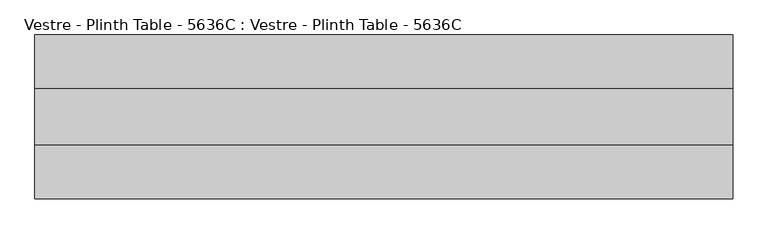
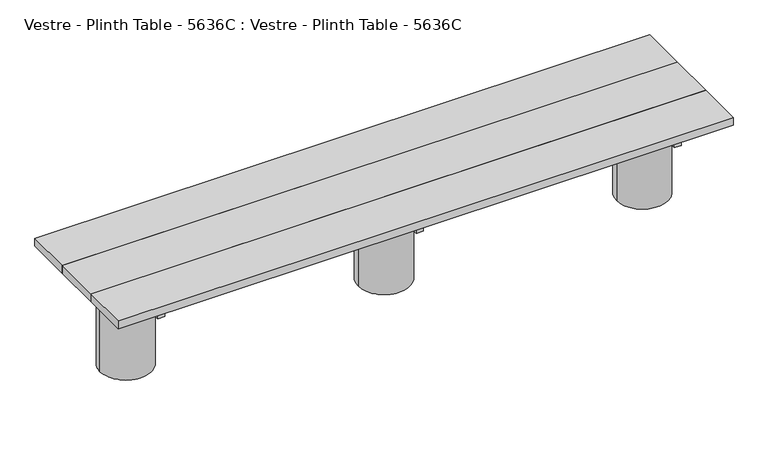
"""IFC4 building model written with IfcOpenShell, lengths in millimetres: furniture geometry, Vestre - Plinth Table - 5636C : Vestre - Plinth Table - 5636C."""

from ifc_helpers import new_model, si_unit, frame, origin, place, context, project, spatial, polyline, circle_curve, outline, extrude, source, transform, mapped, element, save
from ifc_brep_helpers import plane_surface, cylinder_surface, advanced_brep


def vestre_plinth_table_5636c_vestre_plinth_table_5636c_9f1a2659(model_context):
    return source(origin(), model_context, "Body", "SolidModel", [
        extrude(outline(polyline([(1116.0, -483.0002308), (1085.9816865, -483.0002308), (1085.9816865, 43.000233), (1116.0, 43.000233), (1116.0, -483.0002308)])), frame((0.0, 0.0, 364.9999847), z_axis=(0.0, 0.0, 1.0), x_axis=(1.0, 0.0, 0.0)), (0.0, 0.0, 1.0), 50.0),
        extrude(outline(polyline([(-1085.9816865, -483.0002308), (-1116.0, -483.0002308), (-1116.0, 43.000233), (-1085.9816865, 43.000233), (-1085.9816865, -483.0002308)])), frame((0.0, 0.0, 364.9999847), z_axis=(0.0, 0.0, 1.0), x_axis=(1.0, 0.0, 0.0)), (0.0, 0.0, 1.0), 50.0),
        extrude(outline(polyline([(15.0005464, -483.0002308), (-15.0177671, -483.0002308), (-15.0177671, 43.000233), (15.0005464, 43.000233), (15.0005464, -483.0002308)])), frame((0.0, 0.0, 364.9999847), z_axis=(0.0, 0.0, 1.0), x_axis=(1.0, 0.0, 0.0)), (0.0, 0.0, 1.0), 50.0),
        extrude(outline(polyline([(1310.5001055, -114.9999989), (1310.5001055, -324.9999989), (-1310.5001055, -324.9999989), (-1310.5001055, -114.9999989), (1310.5001055, -114.9999989)])), frame((0.0, 0.0, 414.9999847), z_axis=(0.0, 0.0, 1.0), x_axis=(1.0, 0.0, 0.0)), (0.0, 0.0, 1.0), 35.0000153),
        extrude(outline(polyline([(1089.0001055, -202.4998463), (1089.0001055, -237.5001515), (-1089.0001055, -237.5001515), (-1089.0001055, -202.4998463), (1089.0001055, -202.4998463)])), frame((0.0, 0.0, 274.9999847), z_axis=(0.0, 0.0, 1.0), x_axis=(1.0, 0.0, 0.0)), (0.0, 0.0, 1.0), 90.0),
        extrude(outline(polyline([(1310.5001055, 87.500233), (1310.5001055, -114.9999989), (-1310.5001055, -114.9999989), (-1310.5001055, 87.500233), (1310.5001055, 87.500233)])), frame((0.0, 0.0, 414.9999847), z_axis=(0.0, 0.0, 1.0), x_axis=(1.0, 0.0, 0.0)), (0.0, 0.0, 1.0), 35.0000153),
        extrude(outline(polyline([(1310.5001055, -324.9999989), (1310.5001055, -527.5002308), (-1310.5001055, -527.5002308), (-1310.5001055, -324.9999989), (1310.5001055, -324.9999989)])), frame((0.0, 0.0, 414.9999847), z_axis=(0.0, 0.0, 1.0), x_axis=(1.0, 0.0, 0.0)), (0.0, 0.0, 1.0), 35.0000153),
        advanced_brep(
        [(108.1777507, -202.4998463, 364.9999847), (-108.1777507, -202.4998463, 364.9999847), (-108.1777507, -237.5001515, 364.9999847), (108.1777507, -237.5001515, 364.9999847), (109.5841279, -219.9999989, 0.0), (-109.5841279, -219.9999989, 0.0), (109.5841279, -219.9999989, 274.9999847), (108.1777507, -237.5001515, 274.9999847), (-108.1777507, -237.5001515, 274.9999847), (-109.5841279, -219.9999989, 274.9999847), (-108.1777507, -202.4998463, 274.9999847), (108.1777507, -202.4998463, 274.9999847)],
        [
            (0, 1, circle_curve(frame((0.0, -219.9999989, 364.9999847), z_axis=(0.0, 0.0, 1.0), x_axis=(-1.0, 0.0, 0.0)), 109.5841279)),
            (1, 0),
            (2, 3, circle_curve(frame((0.0, -219.9999989, 364.9999847), z_axis=(0.0, 0.0, 1.0), x_axis=(-1.0, 0.0, 0.0)), 109.5841279)),
            (3, 2),
            (4, 5, circle_curve(frame((0.0, -219.9999989, 0.0), z_axis=(0.0, 0.0, -1.0), x_axis=(-1.0, 0.0, 0.0)), 109.5841279)),
            (5, 4, circle_curve(frame((0.0, -219.9999989, 0.0), z_axis=(0.0, 0.0, -1.0), x_axis=(-1.0, 0.0, 0.0)), 109.5841279)),
            (4, 6),
            (6, 7, circle_curve(frame((0.0, -219.9999989, 274.9999847), z_axis=(0.0, 0.0, -1.0), x_axis=(-1.0, 0.0, 0.0)), 109.5841279)),
            (7, 3),
            (2, 8),
            (8, 9, circle_curve(frame((0.0, -219.9999989, 274.9999847), z_axis=(0.0, 0.0, -1.0), x_axis=(-1.0, 0.0, 0.0)), 109.5841279)),
            (9, 5),
            (9, 10, circle_curve(frame((0.0, -219.9999989, 274.9999847), z_axis=(0.0, 0.0, -1.0), x_axis=(-1.0, 0.0, 0.0)), 109.5841279)),
            (10, 1),
            (0, 11),
            (11, 6, circle_curve(frame((0.0, -219.9999989, 274.9999847), z_axis=(0.0, 0.0, -1.0), x_axis=(-1.0, 0.0, 0.0)), 109.5841279)),
            (11, 10),
            (8, 7),
        ],
        [
            plane_surface(frame((-109.5841279, -219.9999989, 364.9999847), z_axis=(0.0, 0.0, 1.0), x_axis=(0.0, -1.0, 0.0))),
            plane_surface(frame((-109.5841279, -219.9999989, 0.0), z_axis=(0.0, 0.0, -1.0), x_axis=(0.0, 1.0, 0.0))),
            cylinder_surface(frame((0.0, -219.9999989, 0.0), z_axis=(0.0, 0.0, 1.0), x_axis=(-1.0, 0.0, 0.0)), 109.5841279),
            plane_surface(frame((-130.5005464, -202.4998463, 274.9999847), z_axis=(0.0, 0.0, 1.0), x_axis=(1.0, 0.0, 0.0))),
            plane_surface(frame((-130.5005464, -202.4998463, 364.9999847), z_axis=(0.0, -1.0, 0.0), x_axis=(1.0, 0.0, 0.0))),
            plane_surface(frame((-130.5005464, -237.5001515, 274.9999847), z_axis=(0.0, 1.0, 0.0), x_axis=(1.0, 0.0, 0.0))),
        ],
        [
            (0, [[1, 2]]),
            (0, [[3, 4]]),
            (1, [[5, 6]]),
            (2, [[-5, 7, 8, 9, -3, 10, 11, 12]]),
            (2, [[-6, -12, 13, 14, -1, 15, 16, -7]]),
            (3, [[17, -13, -11, 18, -8, -16]]),
            (4, [[-17, -15, -2, -14]]),
            (5, [[-18, -10, -4, -9]]),
        ],
    ),
        advanced_brep(
        [(1210.5835815, -219.9999989, 364.9999847), (992.8217029, -202.4998463, 364.9999847), (1089.0010928, -202.4998463, 364.9999847), (1089.0010928, -237.5001515, 364.9999847), (992.8217029, -237.5001515, 364.9999847), (1210.5835815, -219.9999989, 0.0), (991.4153257, -219.9999989, 0.0), (992.8217029, -237.5001515, 274.9999847), (991.4153257, -219.9999989, 274.9999847), (992.8217029, -202.4998463, 274.9999847), (1089.0010928, -237.5001515, 274.9999847), (1089.0010928, -202.4998463, 274.9999847)],
        [
            (0, 1, circle_curve(frame((1100.9994536, -219.9999989, 364.9999847), z_axis=(0.0, 0.0, 1.0), x_axis=(-1.0, 0.0, 0.0)), 109.5841279)),
            (1, 2),
            (2, 3),
            (3, 4),
            (4, 0, circle_curve(frame((1100.9994536, -219.9999989, 364.9999847), z_axis=(0.0, 0.0, 1.0), x_axis=(-1.0, 0.0, 0.0)), 109.5841279)),
            (5, 6, circle_curve(frame((1100.9994536, -219.9999989, 0.0), z_axis=(0.0, 0.0, -1.0), x_axis=(-1.0, 0.0, 0.0)), 109.5841279)),
            (6, 5, circle_curve(frame((1100.9994536, -219.9999989, 0.0), z_axis=(0.0, 0.0, -1.0), x_axis=(-1.0, 0.0, 0.0)), 109.5841279)),
            (5, 0),
            (4, 7),
            (7, 8, circle_curve(frame((1100.9994536, -219.9999989, 274.9999847), z_axis=(0.0, 0.0, -1.0), x_axis=(-1.0, 0.0, 0.0)), 109.5841279)),
            (8, 6),
            (8, 9, circle_curve(frame((1100.9994536, -219.9999989, 274.9999847), z_axis=(0.0, 0.0, -1.0), x_axis=(-1.0, 0.0, 0.0)), 109.5841279)),
            (9, 1),
            (10, 3),
            (2, 11),
            (11, 10),
            (11, 9),
            (7, 10),
        ],
        [
            plane_surface(frame((991.4153257, -219.9999989, 364.9999847), z_axis=(0.0, 0.0, 1.0), x_axis=(0.0, -1.0, 0.0))),
            plane_surface(frame((991.4153257, -219.9999989, 0.0), z_axis=(0.0, 0.0, -1.0), x_axis=(0.0, 1.0, 0.0))),
            cylinder_surface(frame((1100.9994536, -219.9999989, 0.0), z_axis=(0.0, 0.0, 1.0), x_axis=(-1.0, 0.0, 0.0)), 109.5841279),
            plane_surface(frame((1089.0010928, -237.5001515, 274.9999847), z_axis=(-1.0, 0.0, 0.0), x_axis=(0.0, 0.0, -1.0))),
            plane_surface(frame((970.5005464, -202.4998463, 274.9999847), z_axis=(0.0, 0.0, 1.0), x_axis=(1.0, 0.0, 0.0))),
            plane_surface(frame((970.5005464, -202.4998463, 364.9999847), z_axis=(0.0, -1.0, 0.0), x_axis=(1.0, 0.0, 0.0))),
            plane_surface(frame((970.5005464, -237.5001515, 274.9999847), z_axis=(0.0, 1.0, 0.0), x_axis=(1.0, 0.0, 0.0))),
        ],
        [
            (0, [[1, 2, 3, 4, 5]]),
            (1, [[6, 7]]),
            (2, [[-6, 8, -5, 9, 10, 11]]),
            (2, [[-7, -11, 12, 13, -1, -8]]),
            (3, [[14, -3, 15, 16]]),
            (4, [[-16, 17, -12, -10, 18]]),
            (5, [[-15, -2, -13, -17]]),
            (6, [[-14, -18, -9, -4]]),
        ],
    ),
        advanced_brep(
        [(-1210.5835815, -219.9999989, 364.9999847), (-992.8217029, -237.5001515, 364.9999847), (-1089.0010928, -237.5001515, 364.9999847), (-1089.0010928, -202.4998463, 364.9999847), (-992.8217029, -202.4998463, 364.9999847), (-1210.5835815, -219.9999989, 0.0), (-991.4153257, -219.9999989, 0.0), (-991.4153257, -219.9999989, 274.9999847), (-992.8217029, -237.5001515, 274.9999847), (-992.8217029, -202.4998463, 274.9999847), (-1089.0010928, -237.5001515, 274.9999847), (-1089.0010928, -202.4998463, 274.9999847)],
        [
            (0, 1, circle_curve(frame((-1100.9994536, -219.9999989, 364.9999847), z_axis=(0.0, 0.0, 1.0), x_axis=(1.0, 0.0, 0.0)), 109.5841279)),
            (1, 2),
            (2, 3),
            (3, 4),
            (4, 0, circle_curve(frame((-1100.9994536, -219.9999989, 364.9999847), z_axis=(0.0, 0.0, 1.0), x_axis=(1.0, 0.0, 0.0)), 109.5841279)),
            (5, 6, circle_curve(frame((-1100.9994536, -219.9999989, 0.0), z_axis=(0.0, 0.0, -1.0), x_axis=(1.0, 0.0, 0.0)), 109.5841279)),
            (6, 5, circle_curve(frame((-1100.9994536, -219.9999989, 0.0), z_axis=(0.0, 0.0, -1.0), x_axis=(1.0, 0.0, 0.0)), 109.5841279)),
            (6, 7),
            (7, 8, circle_curve(frame((-1100.9994536, -219.9999989, 274.9999847), z_axis=(0.0, 0.0, -1.0), x_axis=(1.0, 0.0, 0.0)), 109.5841279)),
            (8, 1),
            (0, 5),
            (4, 9),
            (9, 7, circle_curve(frame((-1100.9994536, -219.9999989, 274.9999847), z_axis=(0.0, 0.0, -1.0), x_axis=(1.0, 0.0, 0.0)), 109.5841279)),
            (10, 11),
            (11, 3),
            (2, 10),
            (10, 8),
            (9, 11),
        ],
        [
            plane_surface(frame((-991.4153257, -219.9999989, 364.9999847), z_axis=(0.0, 0.0, 1.0), x_axis=(0.0, 1.0, 0.0))),
            plane_surface(frame((-991.4153257, -219.9999989, 0.0), z_axis=(0.0, 0.0, -1.0), x_axis=(0.0, -1.0, 0.0))),
            cylinder_surface(frame((-1100.9994536, -219.9999989, 0.0), z_axis=(0.0, 0.0, 1.0), x_axis=(1.0, 0.0, 0.0)), 109.5841279),
            plane_surface(frame((-1089.0010928, -202.4998463, 274.9999847), z_axis=(1.0, 0.0, 0.0), x_axis=(0.0, -1.0, 0.0))),
            plane_surface(frame((-970.5005464, -237.5001515, 274.9999847), z_axis=(0.0, 0.0, 1.0), x_axis=(-1.0, 0.0, 0.0))),
            plane_surface(frame((-970.5005464, -202.4998463, 274.9999847), z_axis=(0.0, -1.0, 0.0), x_axis=(-1.0, 0.0, 0.0))),
            plane_surface(frame((-970.5005464, -237.5001515, 364.9999847), z_axis=(0.0, 1.0, 0.0), x_axis=(-1.0, 0.0, 0.0))),
        ],
        [
            (0, [[1, 2, 3, 4, 5]]),
            (1, [[6, 7]]),
            (2, [[-7, 8, 9, 10, -1, 11]]),
            (2, [[-6, -11, -5, 12, 13, -8]]),
            (3, [[14, 15, -3, 16]]),
            (4, [[-14, 17, -9, -13, 18]]),
            (5, [[-15, -18, -12, -4]]),
            (6, [[-16, -2, -10, -17]]),
        ],
    ),
    ])


if __name__ == "__main__":
    model = new_model("IFC4")
    model_context = context("Model", 3, world=origin())
    ifc_project = project(units=[si_unit("LENGTHUNIT", "METRE", prefix="MILLI")], contexts=[model_context])
    site = spatial("IfcSite", under=ifc_project)
    building = spatial("IfcBuilding", under=site)
    placement = place(None, origin())
    vestre_plinth_table_5636c_vestre_plinth_table_5636c_shape = vestre_plinth_table_5636c_vestre_plinth_table_5636c_9f1a2659(model_context)
    element("IfcFurniture", 1, ObjectType="Vestre - Plinth Table - 5636C : Vestre - Plinth Table - 5636C", at=placement, inside=building, context=model_context, shape_type="MappedRepresentation", body=[
        mapped(vestre_plinth_table_5636c_vestre_plinth_table_5636c_shape, transform((0.0, 0.0, 0.0), x_axis=(1.0, 0.0, 0.0), y_axis=(0.0, 1.0, 0.0), z_axis=(0.0, 0.0, 1.0))),
    ])
    save(model, "model.ifc")
